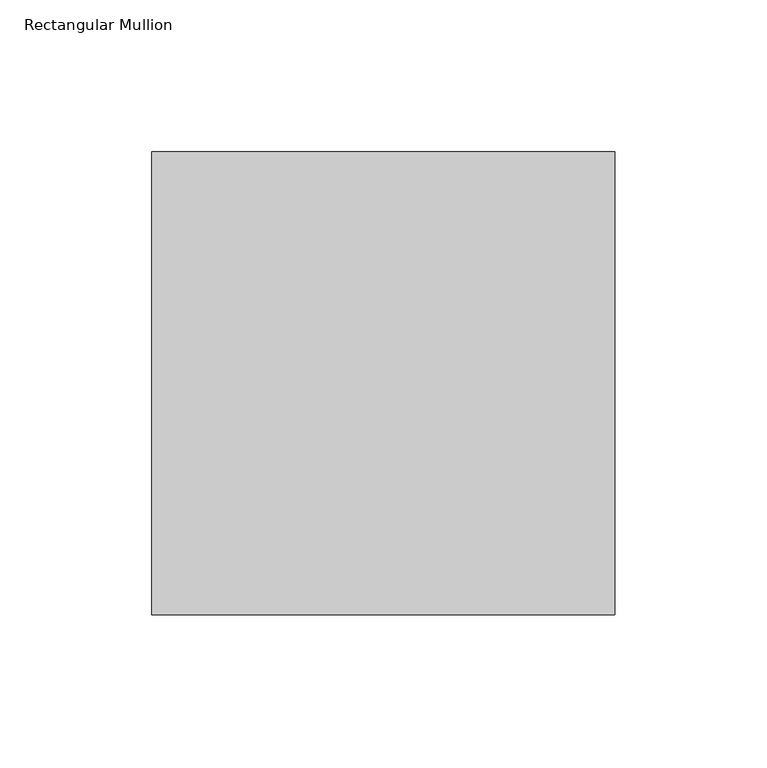
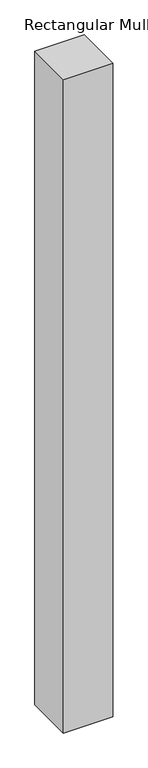
"""IFC4 building model written with IfcOpenShell, lengths in millimetres: member geometry, Rectangular Mullion."""

from ifc_helpers import new_model, si_unit, frame, origin, place, context, project, spatial, polyline, outline, extrude, source, transform, mapped, element, save


def rectangular_mullion_60c73522(model_context):
    return source(origin(), model_context, "Body", "SweptSolid", [
        extrude(outline(polyline([(-152.4, 76.2), (0.0, 76.2), (0.0, -76.2), (-152.4, -76.2), (-152.4, 76.2)])), frame((0.0, 0.0, -2133.6), z_axis=(0.0, 0.0, 1.0), x_axis=(1.0, 0.0, 0.0)), (0.0, 0.0, 1.0), 2133.6),
    ])


if __name__ == "__main__":
    model = new_model("IFC4")
    model_context = context("Model", 3, world=origin())
    ifc_project = project(units=[si_unit("LENGTHUNIT", "METRE", prefix="MILLI")], contexts=[model_context])
    site = spatial("IfcSite", under=ifc_project)
    building = spatial("IfcBuilding", under=site)
    placement = place(None, origin())
    rectangular_mullion_shape = rectangular_mullion_60c73522(model_context)
    element("IfcMember", 1, ObjectType="Rectangular Mullion", at=placement, inside=building, context=model_context, shape_type="MappedRepresentation", body=[
        mapped(rectangular_mullion_shape, transform((0.0, 0.0, 0.0), x_axis=(1.0, 0.0, 0.0), y_axis=(0.0, 1.0, 0.0), z_axis=(0.0, 0.0, 1.0))),
    ])
    save(model, "model.ifc")
